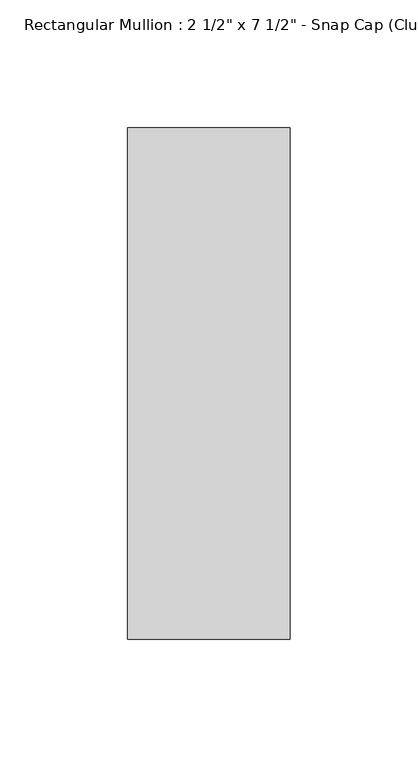
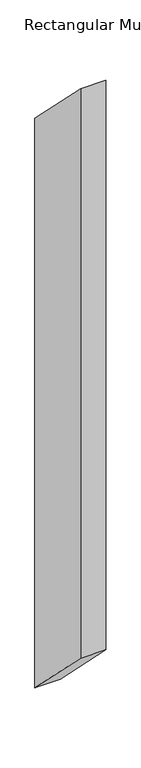
"""IFC4 building model written with IfcOpenShell, lengths in millimetres: member geometry."""

from ifc_helpers import new_model, si_unit, frame, origin, place, context, project, spatial, polyline, outline, extrude, source, transform, mapped, element, save


def member_0615c0a7(model_context):
    return source(origin(), model_context, "Body", "SweptSolid", [
        extrude(outline(polyline([(-174.2, 174.2), (25.8, -25.8), (25.8, -1546.8), (-174.2, -1346.8), (-174.2, 174.2)])), frame((-31.75, 0.0, 0.0), z_axis=(1.0, 0.0, 0.0), x_axis=(0.0, 1.0, 0.0)), (0.0, 0.0, 1.0), 63.5),
    ])


if __name__ == "__main__":
    model = new_model("IFC4")
    model_context = context("Model", 3, world=origin())
    ifc_project = project(units=[si_unit("LENGTHUNIT", "METRE", prefix="MILLI")], contexts=[model_context])
    site = spatial("IfcSite", under=ifc_project)
    building = spatial("IfcBuilding", under=site)
    placement = place(None, origin())
    member_shape = member_0615c0a7(model_context)
    element("IfcMember", 1, ObjectType="Rectangular Mullion : 2 1/2\" x 7 1/2\" - Snap Cap (Club)", at=placement, inside=building, context=model_context, shape_type="MappedRepresentation", body=[
        mapped(member_shape, transform((0.0, 0.0, 0.0), x_axis=(1.0, 0.0, 0.0), y_axis=(0.0, 1.0, 0.0), z_axis=(0.0, 0.0, 1.0))),
    ])
    save(model, "model.ifc")
